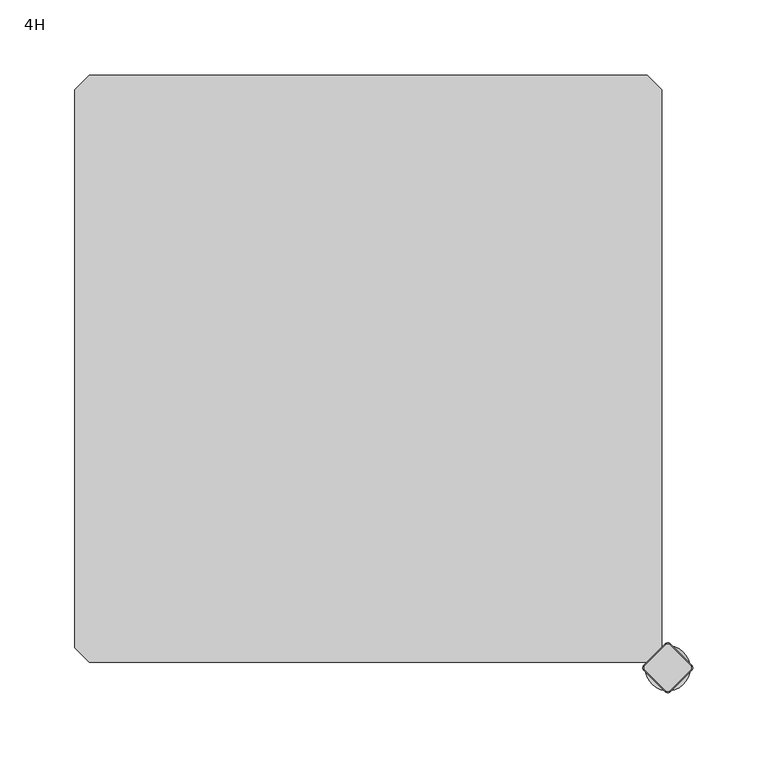
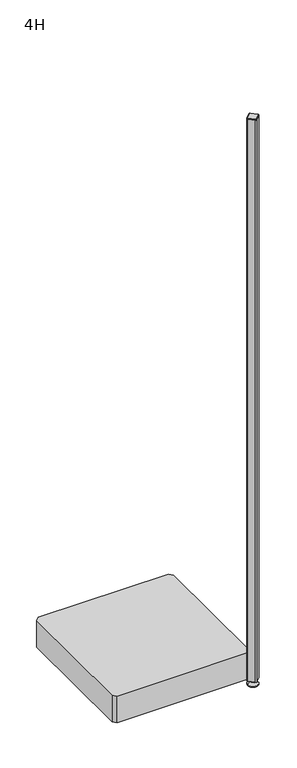
"""IFC4 building model written with IfcOpenShell, lengths in millimetres: furniture geometry, 4H."""

from ifc_helpers import new_model, si_unit, point, frame, frame_2d, origin, place, context, project, spatial, polyline, circle_curve, trimmed, segment, composite_curve, outline, extrude, source, transform, mapped, element, save
from ifc_brep_helpers import plane_surface, cylinder_surface, revolved_surface, advanced_brep


def furniture_4h_258108f3(model_context):
    return source(origin(), model_context, "Body", "SolidModel", [
        advanced_brep(
        [(385.0, 0.0, 0.0), (400.0, 0.0, 0.0), (415.0, 0.0, 0.0), (385.0, 0.0, 2.0), (415.0, 0.0, 2.0), (392.0, 0.0, 9.0), (408.0, 0.0, 9.0), (396.0, 0.0, 9.0), (404.0, 0.0, 9.0), (396.0, 0.0, 15.0), (404.0, 0.0, 15.0), (400.0, 0.0, 15.0)],
        [
            (0, 1),
            (1, 2),
            (2, 0, circle_curve(frame((400.0, 0.0, 0.0), z_axis=(0.0, 0.0, -1.0), x_axis=(1.0, 0.0, 0.0)), 15.0)),
            (0, 2, circle_curve(frame((400.0, 0.0, 0.0), z_axis=(0.0, 0.0, -1.0), x_axis=(1.0, 0.0, 0.0)), 15.0)),
            (3, 0),
            (2, 4),
            (4, 3, circle_curve(frame((400.0, 0.0, 2.0), z_axis=(0.0, 0.0, -1.0), x_axis=(1.0, 0.0, 0.0)), 15.0)),
            (3, 4, circle_curve(frame((400.0, 0.0, 2.0), z_axis=(0.0, 0.0, -1.0), x_axis=(1.0, 0.0, 0.0)), 15.0)),
            (5, 3),
            (4, 6),
            (6, 5, circle_curve(frame((400.0, 0.0, 9.0), z_axis=(0.0, 0.0, -1.0), x_axis=(1.0, 0.0, 0.0)), 8.0)),
            (5, 6, circle_curve(frame((400.0, 0.0, 9.0), z_axis=(0.0, 0.0, -1.0), x_axis=(1.0, 0.0, 0.0)), 8.0)),
            (7, 5),
            (6, 8),
            (8, 7, circle_curve(frame((400.0, 0.0, 9.0), z_axis=(0.0, 0.0, -1.0), x_axis=(1.0, 0.0, 0.0)), 4.0)),
            (7, 8, circle_curve(frame((400.0, 0.0, 9.0), z_axis=(0.0, 0.0, -1.0), x_axis=(1.0, 0.0, 0.0)), 4.0)),
            (9, 7),
            (8, 10),
            (10, 9, circle_curve(frame((400.0, 0.0, 15.0), z_axis=(0.0, 0.0, -1.0), x_axis=(1.0, 0.0, 0.0)), 4.0)),
            (9, 10, circle_curve(frame((400.0, 0.0, 15.0), z_axis=(0.0, 0.0, -1.0), x_axis=(1.0, 0.0, 0.0)), 4.0)),
            (11, 9),
            (10, 11),
        ],
        [
            plane_surface(frame((400.0, 0.0, 0.0), z_axis=(0.0, 0.0, -1.0), x_axis=(1.0, 0.0, 0.0))),
            cylinder_surface(frame((400.0, 0.0, 18.6083303), z_axis=(0.0, 0.0, 1.0), x_axis=(1.0, 0.0, 0.0)), 15.0),
            revolved_surface(polyline([(415.0, 0.0, 2.0), (408.0, 0.0, 9.0)]), (400.0, 0.0, 18.6083303), (0.0, 0.0, 1.0)),
            plane_surface(frame((400.0, 0.0, 9.0), z_axis=(0.0, 0.0, 1.0), x_axis=(1.0, 0.0, 0.0))),
            cylinder_surface(frame((400.0, 0.0, 18.6083303), z_axis=(0.0, 0.0, 1.0), x_axis=(1.0, 0.0, 0.0)), 4.0),
            plane_surface(frame((400.0, 0.0, 15.0), z_axis=(0.0, 0.0, 1.0), x_axis=(1.0, 0.0, 0.0))),
        ],
        [
            (0, [[1, 2, 3]]),
            (0, [[-2, -1, 4]]),
            (1, [[5, -3, 6, 7]]),
            (1, [[-6, -4, -5, 8]]),
            (2, [[9, -7, 10, 11]]),
            (2, [[-10, -8, -9, 12]]),
            (3, [[13, -11, 14, 15]]),
            (3, [[-14, -12, -13, 16]]),
            (4, [[17, -15, 18, 19]]),
            (4, [[-18, -16, -17, 20]]),
            (5, [[21, -19, 22]]),
            (5, [[-22, -20, -21]]),
        ],
    ),
        advanced_brep(
        [(398.7979185, -15.3442172, 1717.0), (401.2020815, -15.3442172, 1717.0), (415.3442172, -1.2020815, 1717.0), (415.3442172, 1.2020815, 1717.0), (401.2020815, 15.3442172, 1717.0), (398.7979185, 15.3442172, 1717.0), (384.6557828, 1.2020815, 1717.0), (384.6557828, -1.2020815, 1717.0), (398.232233, -15.9099026, 1715.0), (384.0900974, -1.767767, 1715.0), (384.0900974, 1.767767, 1715.0), (398.232233, 15.9099026, 1715.0), (401.767767, 15.9099026, 1715.0), (415.9099026, 1.767767, 1715.0), (415.9099026, -1.767767, 1715.0), (401.767767, -15.9099026, 1715.0)],
        [
            (0, 1, circle_curve(frame((400.0, -14.1421356, 1717.0), z_axis=(0.0, 0.0, 1.0), x_axis=(0.7071067811865486, -0.7071067811865465, 0.0)), 1.7)),
            (1, 2),
            (2, 3, circle_curve(frame((414.1421356, 0.0, 1717.0), z_axis=(0.0, 0.0, 1.0), x_axis=(0.7071067811865358, 0.7071067811865593, 0.0)), 1.7)),
            (3, 4),
            (4, 5, circle_curve(frame((400.0, 14.1421356, 1717.0), z_axis=(0.0, 0.0, 1.0), x_axis=(-0.7071067811865497, 0.7071067811865452, 0.0)), 1.7)),
            (5, 6),
            (6, 7, circle_curve(frame((385.8578644, 0.0, 1717.0), z_axis=(0.0, 0.0, 1.0), x_axis=(-0.707106781186549, -0.707106781186546, 0.0)), 1.7)),
            (7, 0),
            (8, 9),
            (9, 10, circle_curve(frame((385.8578644, 0.0, 1715.0), z_axis=(0.0, 0.0, -1.0), x_axis=(-0.707106781186549, -0.707106781186546, 0.0)), 2.5)),
            (10, 11),
            (11, 12, circle_curve(frame((400.0, 14.1421356, 1715.0), z_axis=(0.0, 0.0, -1.0), x_axis=(-0.7071067811865497, 0.7071067811865452, 0.0)), 2.5)),
            (12, 13),
            (13, 14, circle_curve(frame((414.1421356, 0.0, 1715.0), z_axis=(0.0, 0.0, -1.0), x_axis=(0.7071067811865358, 0.7071067811865593, 0.0)), 2.5)),
            (14, 15),
            (15, 8, circle_curve(frame((400.0, -14.1421356, 1715.0), z_axis=(0.0, 0.0, -1.0), x_axis=(0.7071067811865486, -0.7071067811865465, 0.0)), 2.5)),
            (8, 0),
            (7, 9),
            (6, 10),
            (5, 11),
            (4, 12),
            (3, 13),
            (2, 14),
            (1, 15),
        ],
        [
            plane_surface(frame((400.0, 0.0, 1717.0), z_axis=(0.0, 0.0, 1.0), x_axis=(-0.7071067811865437, -0.7071067811865515, 0.0))),
            plane_surface(frame((400.0, 0.0, 1715.0), z_axis=(0.0, 0.0, -1.0), x_axis=(-0.7071067811865437, -0.7071067811865515, 0.0))),
            plane_surface(frame((391.1611652, -8.8388348, 1715.0), z_axis=(-0.6565321642986293, -0.6565321642986277, 0.37139067635404877), x_axis=(-0.7071067811865461, 0.707106781186549, 0.0))),
            revolved_surface(polyline([(384.65578284, -1.20208156, 1717.0), (384.0900974, -1.767767, 1715.0)]), (385.8578644, 0.0, 1721.25), (0.0, 0.0, -1.0)),
            plane_surface(frame((391.1611652, 8.8388348, 1715.0), z_axis=(-0.656532164298625, 0.656532164298632, 0.37139067635404815), x_axis=(0.7071067811865507, 0.7071067811865444, 0.0))),
            revolved_surface(polyline([(398.79791844, 15.34421716, 1717.0), (398.232233, 15.9099026, 1715.0)]), (400.0, 14.1421356, 1721.25), (0.0, 0.0, -1.0)),
            plane_surface(frame((408.8388348, 8.8388348, 1715.0), z_axis=(0.6565321642986273, 0.6565321642986317, 0.3713906763540451), x_axis=(0.7071067811865506, -0.7071067811865446, 0.0))),
            revolved_surface(polyline([(415.34421716, 1.20208156, 1717.0), (415.9099026, 1.767767, 1715.0)]), (414.1421356, 0.0, 1721.25), (0.0, 0.0, -1.0)),
            plane_surface(frame((408.8388348, -8.8388348, 1715.0), z_axis=(0.6565321642986316, -0.6565321642986274, 0.3713906763540451), x_axis=(-0.7071067811865459, -0.7071067811865492, 0.0))),
            revolved_surface(polyline([(401.20208156, -15.34421716, 1717.0), (401.767767, -15.9099026, 1715.0)]), (400.0, -14.1421356, 1721.25), (0.0, 0.0, -1.0)),
        ],
        [
            (0, [[1, 2, 3, 4, 5, 6, 7, 8]]),
            (1, [[9, 10, 11, 12, 13, 14, 15, 16]]),
            (2, [[17, -8, 18, -9]]),
            (3, [[-18, -7, 19, -10]]),
            (4, [[-19, -6, 20, -11]]),
            (5, [[-20, -5, 21, -12]]),
            (6, [[-21, -4, 22, -13]]),
            (7, [[-22, -3, 23, -14]]),
            (8, [[-23, -2, 24, -15]]),
            (9, [[-24, -1, -17, -16]]),
        ],
    ),
        extrude(outline(composite_curve([segment(polyline([(415.9099026, -1.767767), (401.767767, -15.9099026)]), True, "CONTINUOUS"), segment(trimmed(circle_curve(frame_2d((400.0, -14.1421356)), 2.5), [point((401.767767, -15.9099026))], [point((398.232233, -15.9099026))], False, "CARTESIAN"), True, "CONTINUOUS"), segment(polyline([(398.232233, -15.9099026), (384.0900974, -1.767767)]), True, "CONTINUOUS"), segment(trimmed(circle_curve(frame_2d((385.8578644, 0.0)), 2.5), [point((384.0900974, -1.767767))], [point((384.0900974, 1.767767))], False, "CARTESIAN"), True, "CONTINUOUS"), segment(polyline([(384.0900974, 1.767767), (398.232233, 15.9099026)]), True, "CONTINUOUS"), segment(trimmed(circle_curve(frame_2d((400.0, 14.1421356)), 2.5), [point((398.232233, 15.9099026))], [point((401.767767, 15.9099026))], False, "CARTESIAN"), True, "CONTINUOUS"), segment(polyline([(401.767767, 15.9099026), (415.9099026, 1.767767)]), True, "CONTINUOUS"), segment(trimmed(circle_curve(frame_2d((414.1421356, 0.0)), 2.5), [point((415.9099026, 1.767767))], [point((415.9099026, -1.767767))], False, "CARTESIAN"), True, "CONTINUOUS")], self_intersect=False)), frame((0.0, 0.0, 15.0), z_axis=(0.0, 0.0, 1.0), x_axis=(1.0, 0.0, 0.0)), (0.0, 0.0, 1.0), 1700.0),
        extrude(outline(polyline([(4.0, 13.6776695), (4.0, 386.3223305), (13.6776695, 396.0), (386.3223305, 396.0), (396.0, 386.3223305), (396.0, 13.6776695), (386.3223305, 4.0), (13.6776695, 4.0), (4.0, 13.6776695)])), frame((0.0, 0.0, 16.0), z_axis=(0.0, 0.0, 1.0), x_axis=(1.0, 0.0, 0.0)), (0.0, 0.0, 1.0), 80.0),
    ])


if __name__ == "__main__":
    model = new_model("IFC4")
    model_context = context("Model", 3, world=origin())
    ifc_project = project(units=[si_unit("LENGTHUNIT", "METRE", prefix="MILLI")], contexts=[model_context])
    site = spatial("IfcSite", under=ifc_project)
    building = spatial("IfcBuilding", under=site)
    placement = place(None, origin())
    furniture_4h_shape = furniture_4h_258108f3(model_context)
    element("IfcFurniture", 1, ObjectType="4H", at=placement, inside=building, context=model_context, shape_type="MappedRepresentation", body=[
        mapped(furniture_4h_shape, transform((0.0, 0.0, 0.0), x_axis=(1.0, 0.0, 0.0), y_axis=(0.0, 1.0, 0.0), z_axis=(0.0, 0.0, 1.0))),
    ])
    save(model, "model.ifc")
